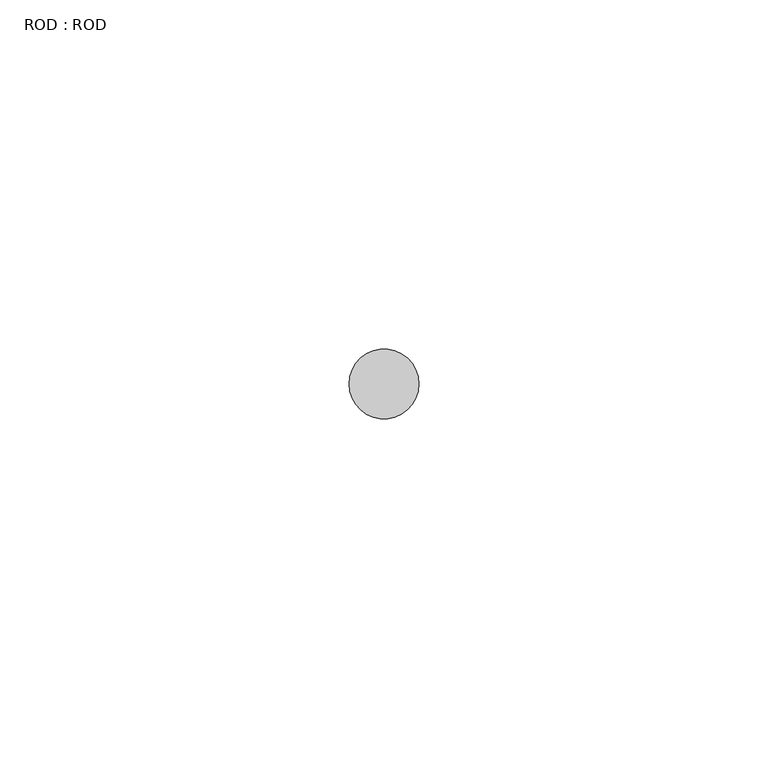
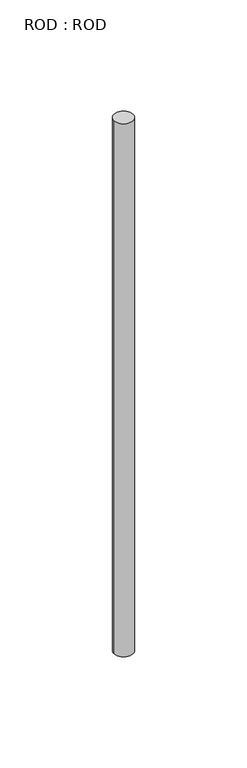
"""IFC4 building model written with IfcOpenShell, lengths in millimetres: proxy geometry, ROD : ROD."""

from ifc_helpers import new_model, si_unit, point, frame, frame_2d, origin, place, context, project, spatial, circle_curve, trimmed, segment, composite_curve, outline, extrude, source, transform, mapped, element, save


def rod_rod_fe60dd48(model_context):
    return source(origin(), model_context, "Body", "SweptSolid", [
        extrude(outline(composite_curve([segment(trimmed(circle_curve(frame_2d((-5000.2326676, 833.3971576)), 5.0), [point((-5005.2326676, 833.3971576))], [point((-4995.2326676, 833.3971576))], False, "CARTESIAN"), True, "CONTINUOUS"), segment(trimmed(circle_curve(frame_2d((-5000.2326676, 833.3971576)), 5.0), [point((-4995.2326676, 833.3971576))], [point((-5005.2326676, 833.3971576))], False, "CARTESIAN"), True, "CONTINUOUS")], self_intersect=False)), frame((0.0, 0.0, -108.6608845), z_axis=(0.0, 0.0, 1.0), x_axis=(1.0, 0.0, 0.0)), (0.0, 0.0, 1.0), 298.9028972),
    ])


if __name__ == "__main__":
    model = new_model("IFC4")
    model_context = context("Model", 3, world=origin())
    ifc_project = project(units=[si_unit("LENGTHUNIT", "METRE", prefix="MILLI")], contexts=[model_context])
    site = spatial("IfcSite", under=ifc_project)
    building = spatial("IfcBuilding", under=site)
    placement = place(None, origin())
    rod_rod_shape = rod_rod_fe60dd48(model_context)
    element("IfcBuildingElementProxy", 1, Name="ROD : ROD", ObjectType="ROD : ROD", at=placement, inside=building, context=model_context, shape_type="MappedRepresentation", body=[
        mapped(rod_rod_shape, transform((0.0, 0.0, 0.0), x_axis=(1.0, 0.0, 0.0), y_axis=(0.0, 1.0, 0.0), z_axis=(0.0, 0.0, 1.0))),
    ])
    save(model, "model.ifc")
